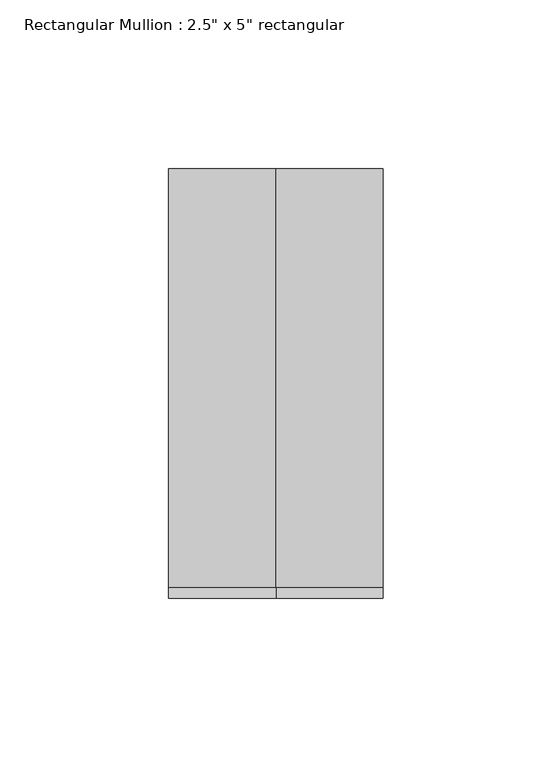
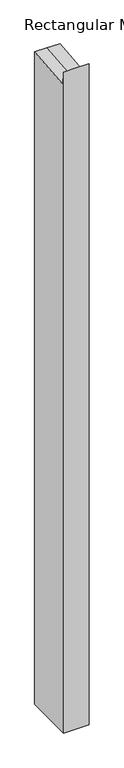
"""IFC4 building model written with IfcOpenShell, lengths in millimetres: member geometry."""

from ifc_helpers import new_model, si_unit, origin, place, context, project, spatial, faceted_brep, source, transform, mapped, element, save


def member_32806016(model_context):
    return source(origin(), model_context, "Body", "Brep", [
        faceted_brep([(31.75, 63.5, -1733.55), (31.75, -63.5, -1733.55), (-31.75, -63.5, -1733.55), (-31.75, 63.5, -1733.55), (-31.75, 63.5, 5.6774415), (0.0, 63.5, 5.6774415), (31.75, 63.5, 5.6774415), (-31.75, -63.5, 28.8510219), (-31.75, -60.3429067, -5.6538247), (31.75, -63.5, 28.8510219), (0.0, -63.5, 28.8510219), (31.75, -60.3429067, -5.6538247), (0.0, -60.3429067, -5.6538247)], [[[0, 1, 2, 3]], [[4, 5, 6, 0, 3]], [[7, 8, 4, 3, 2]], [[9, 10, 7, 2, 1]], [[6, 11, 9, 1, 0]], [[6, 5, 12, 11]], [[5, 4, 8, 12]], [[8, 7, 10, 12]], [[10, 9, 11, 12]]]),
    ])


if __name__ == "__main__":
    model = new_model("IFC4")
    model_context = context("Model", 3, world=origin())
    ifc_project = project(units=[si_unit("LENGTHUNIT", "METRE", prefix="MILLI")], contexts=[model_context])
    site = spatial("IfcSite", under=ifc_project)
    building = spatial("IfcBuilding", under=site)
    placement = place(None, origin())
    member_shape = member_32806016(model_context)
    element("IfcMember", 1, ObjectType="Rectangular Mullion : 2.5\" x 5\" rectangular", at=placement, inside=building, context=model_context, shape_type="MappedRepresentation", body=[
        mapped(member_shape, transform((0.0, 0.0, 0.0), x_axis=(1.0, 0.0, 0.0), y_axis=(0.0, 1.0, 0.0), z_axis=(0.0, 0.0, 1.0))),
    ])
    save(model, "model.ifc")
